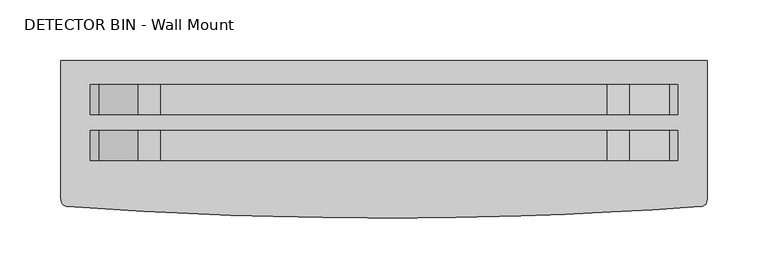
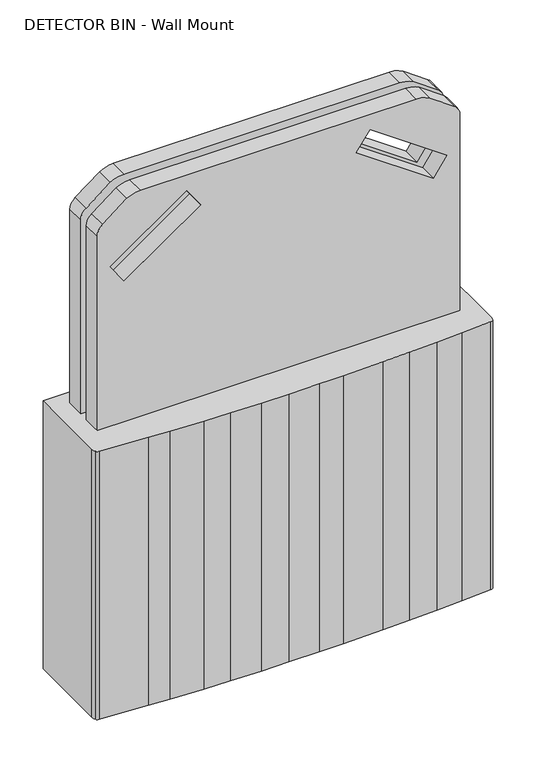
"""IFC4 building model written with IfcOpenShell, lengths in millimetres: proxy geometry, DETECTOR BIN - Wall Mount."""

import ifcopenshell
import ifcopenshell.guid

model = None  # the IFC model being written
_history = None  # IfcOwnerHistory: only IFC2X3 demands one
_inside = {}  # id of a spatial element -> (the spatial element, [elements in it])
_under = {}  # id of a project, library or spatial element -> (it, [spatial elements below it])
_declared = {}  # id of a project -> (the project, [libraries it declares])
_typed = {}  # id of a type object -> (the type object, [elements of that type])
_made_of = {}  # id of a material, layer set ... -> (it, [elements and type objects made of it])


def new_model(schema):
    """Start an empty IFC model of exactly this schema.

    Asked for "IFC4X3", IfcOpenShell would pick the latest addendum, in which some entities
    have other attributes; the version numbers below select the first issue.
    IFC2X3 requires an IfcOwnerHistory on every rooted entity: one is made here for all.
    """
    global model, _history
    if schema == "IFC4X3":
        model = ifcopenshell.file(schema_version=(4, 3, 0, 0))
    else:
        model = ifcopenshell.file(schema=schema)
    _inside.clear()
    _under.clear()
    _declared.clear()
    _typed.clear()
    _made_of.clear()
    _history = None
    if model.schema == "IFC2X3":
        org = make("IfcOrganization", Name="unknown")
        user = make(
            "IfcPersonAndOrganization",
            ThePerson=make("IfcPerson", FamilyName="unknown"),
            TheOrganization=org,
        )
        app = make(
            "IfcApplication",
            ApplicationDeveloper=org,
            Version="unknown",
            ApplicationFullName="unknown",
            ApplicationIdentifier="unknown",
        )
        _history = make(
            "IfcOwnerHistory",
            OwningUser=user,
            OwningApplication=app,
            ChangeAction="ADDED",
            CreationDate=0,
        )
    return model


def make(cls, **values):
    """One entity of the class cls with the attributes given. An attribute that is None is left unset."""
    return model.create_entity(
        cls, **{name: value for name, value in values.items() if value is not None}
    )


def rooted(cls, **values):
    """An entity with a GlobalId (a new one), such as an element, a storey or a relation."""
    return make(cls, GlobalId=ifcopenshell.guid.new(), OwnerHistory=_history, **values)


def si_unit(unit_type, name, prefix=None):
    """IfcSIUnit, for example si_unit("LENGTHUNIT", "METRE", prefix="MILLI")."""
    return make("IfcSIUnit", UnitType=unit_type, Prefix=prefix, Name=name)


def assignment(units):
    """IfcUnitAssignment: the units of a project."""
    return None if units is None else make("IfcUnitAssignment", Units=units)


def point(xyz):
    """IfcCartesianPoint."""
    return None if xyz is None else make("IfcCartesianPoint", Coordinates=xyz)


def direction(xyz):
    """IfcDirection."""
    return None if xyz is None else make("IfcDirection", DirectionRatios=xyz)


def frame(location, z_axis=None, x_axis=None):
    """IfcAxis2Placement3D, a coordinate frame: its origin and axes. An axis left out is left unset."""
    return make(
        "IfcAxis2Placement3D",
        Location=point(location),
        Axis=direction(z_axis),
        RefDirection=direction(x_axis),
    )


def frame_2d(location, x_axis=None):
    """IfcAxis2Placement2D, a coordinate frame in the plane: its origin and x axis."""
    return make(
        "IfcAxis2Placement2D", Location=point(location), RefDirection=direction(x_axis)
    )


def origin():
    """The frame at (0, 0, 0) with its axes left unset."""
    return frame((0.0, 0.0, 0.0))


def origin_with_axes():
    """The frame at (0, 0, 0) with the z axis (0, 0, 1) and the x axis (1, 0, 0) written out."""
    return frame((0.0, 0.0, 0.0), z_axis=(0.0, 0.0, 1.0), x_axis=(1.0, 0.0, 0.0))


def place(relative_to, where):
    """IfcLocalPlacement: puts the frame where relative to a parent placement (None: the world)."""
    return make(
        "IfcLocalPlacement", PlacementRelTo=relative_to, RelativePlacement=where
    )


def context(
    kind, dimensions, precision=None, world=None, true_north=None, identifier=None
):
    """IfcGeometricRepresentationContext, for example the 3D "Model" context."""
    return make(
        "IfcGeometricRepresentationContext",
        ContextIdentifier=identifier,
        ContextType=kind,
        CoordinateSpaceDimension=dimensions,
        Precision=precision,
        WorldCoordinateSystem=world,
        TrueNorth=true_north,
    )


def project(units=None, contexts=None):
    """IfcProject with its units and contexts."""
    return rooted(
        "IfcProject",
        Name="project",
        RepresentationContexts=contexts,
        UnitsInContext=assignment(units),
    )


def spatial(cls, under=None, at=None, **own):
    """A site, building, storey or space (cls), placed at a placement, below another one or the project."""
    s = rooted(cls, ObjectPlacement=at, **own)
    if under is not None:
        _under.setdefault(under.id(), (under, []))[1].append(s)
    return s


def polyline(points):
    """IfcPolyline through the points."""
    return make("IfcPolyline", Points=[point(p) for p in points])


def circle_curve(where, radius):
    """IfcCircle in the frame where."""
    return make("IfcCircle", Position=where, Radius=radius)


def trimmed(basis, trim1, trim2, sense, master):
    """IfcTrimmedCurve: the piece of a basis curve between two trims."""
    return make(
        "IfcTrimmedCurve",
        BasisCurve=basis,
        Trim1=trim1,
        Trim2=trim2,
        SenseAgreement=sense,
        MasterRepresentation=master,
    )


def segment(curve, same_sense, transition):
    """IfcCompositeCurveSegment."""
    return make(
        "IfcCompositeCurveSegment",
        Transition=transition,
        SameSense=same_sense,
        ParentCurve=curve,
    )


def composite_curve(segments, self_intersect=None):
    """IfcCompositeCurve: segments joined end to end."""
    return make("IfcCompositeCurve", Segments=segments, SelfIntersect=self_intersect)


def outline(outer, holes=None, kind="AREA"):
    """IfcArbitraryClosedProfileDef: a profile drawn as a closed curve; with holes, ...WithVoids."""
    if holes is None:
        return make("IfcArbitraryClosedProfileDef", ProfileType=kind, OuterCurve=outer)
    return make(
        "IfcArbitraryProfileDefWithVoids",
        ProfileType=kind,
        OuterCurve=outer,
        InnerCurves=holes,
    )


def extrude(swept, where, along, depth):
    """IfcExtrudedAreaSolid: the profile swept, set in the frame where, extruded along a direction by depth."""
    return make(
        "IfcExtrudedAreaSolid",
        SweptArea=swept,
        Position=where,
        ExtrudedDirection=direction(along),
        Depth=depth,
    )


def shape(context_of_items, identifier, shape_type, items):
    """IfcShapeRepresentation: the items that make up one representation, for example the "Body"."""
    return make(
        "IfcShapeRepresentation",
        ContextOfItems=context_of_items,
        RepresentationIdentifier=identifier,
        RepresentationType=shape_type,
        Items=items,
    )


def source(mapping_origin, context_of_items, identifier, shape_type, items):
    """IfcRepresentationMap: a shape defined once, which mapped items show again and again."""
    return make(
        "IfcRepresentationMap",
        MappingOrigin=mapping_origin,
        MappedRepresentation=shape(context_of_items, identifier, shape_type, items),
    )


def transform(
    local_origin,
    x_axis=None,
    y_axis=None,
    z_axis=None,
    scale=None,
    scale2=None,
    scale3=None,
    uniform=True,
):
    """IfcCartesianTransformationOperator3D, or its non-uniform kind. x_axis, y_axis, z_axis: its Axis1, 2, 3."""
    if uniform:
        return make(
            "IfcCartesianTransformationOperator3D",
            Axis1=direction(x_axis),
            Axis2=direction(y_axis),
            LocalOrigin=point(local_origin),
            Scale=scale,
            Axis3=direction(z_axis),
        )
    return make(
        "IfcCartesianTransformationOperator3DnonUniform",
        Axis1=direction(x_axis),
        Axis2=direction(y_axis),
        LocalOrigin=point(local_origin),
        Scale=scale,
        Axis3=direction(z_axis),
        Scale2=scale2,
        Scale3=scale3,
    )


def mapped(mapping_source, mapping_target):
    """IfcMappedItem: shows the shape of a source again, moved by a transform."""
    return make(
        "IfcMappedItem", MappingSource=mapping_source, MappingTarget=mapping_target
    )


def made_of(thing, what):
    """Note that an element or type object is made of a material, layer set ...; save() writes the relation."""
    if what is not None:
        _made_of.setdefault(what.id(), (what, []))[1].append(thing)
    return thing


def element(
    cls,
    number,
    at=None,
    inside=None,
    cuts=None,
    type_object=None,
    material=None,
    context=None,
    identifier="Body",
    shape_type=None,
    held_by="IfcProductDefinitionShape",
    body=None,
    shapes=None,
    **own,
):
    """One element of the class cls, such as IfcWall. Its Tag is "e" and its number.

    at: its placement. inside: the storey or other place that contains it. cuts: it is an
    opening in that element (IfcRelVoidsElement). A single representation is given by context,
    identifier, shape_type and body (its items); several are given by shapes. held_by: the class
    of the entity that holds the representations. save() writes the other relations.
    """
    e = rooted(cls, Tag="e%d" % number, ObjectPlacement=at, **own)
    if body is not None:
        shapes = [shape(context, identifier, shape_type, body)]
    if shapes is not None:
        e.Representation = make(held_by, Representations=shapes)
    if inside is not None:
        _inside.setdefault(inside.id(), (inside, []))[1].append(e)
    if cuts is not None:
        rooted(
            "IfcRelVoidsElement", RelatingBuildingElement=cuts, RelatedOpeningElement=e
        )
    if type_object is not None:
        _typed.setdefault(type_object.id(), (type_object, []))[1].append(e)
    return made_of(e, material)


def aggregate(whole, parts):
    """IfcRelAggregates: a whole, such as a stair, and the parts it consists of."""
    return rooted("IfcRelAggregates", RelatingObject=whole, RelatedObjects=parts)


def save(model, path):
    """Write the relations noted so far, then the file.

    IfcRelAggregates (storeys below a building ...), IfcRelContainedInSpatialStructure (elements
    in a storey), IfcRelDefinesByType, IfcRelAssociatesMaterial and IfcRelDeclares: one each for
    every whole, place, type object, material and project.
    """
    for whole, parts in _under.values():
        aggregate(whole, parts)
    for where, things in _inside.values():
        rooted(
            "IfcRelContainedInSpatialStructure",
            RelatedElements=things,
            RelatingStructure=where,
        )
    for kind, things in _typed.values():
        rooted("IfcRelDefinesByType", RelatedObjects=things, RelatingType=kind)
    for what, things in _made_of.values():
        rooted("IfcRelAssociatesMaterial", RelatedObjects=things, RelatingMaterial=what)
    for by, libraries in _declared.values():
        rooted("IfcRelDeclares", RelatingContext=by, RelatedDefinitions=libraries)
    model.write(path)


def detector_bin_wall_mount_159995c8(model_context):
    return source(origin(), model_context, "Body", "SweptSolid", [
        extrude(outline(composite_curve([segment(trimmed(circle_curve(frame_2d((656.107021, -536.659329)), 15.0253801), [point((656.107021, -521.633949))], [point((668.3364746, -527.929924))], False, "CARTESIAN"), True, "CONTINUOUS"), segment(polyline([(668.3364746, -527.929924), (692.0454972, -561.145062)]), True, "CONTINUOUS"), segment(trimmed(circle_curve(frame_2d((660.174226, -579.545949)), 36.801774), [point((692.0454972, -561.145062))], [point((696.976, -579.545949))], False, "CARTESIAN"), True, "CONTINUOUS"), segment(polyline([(696.976, -579.545949), (696.976, -947.9654858)]), True, "CONTINUOUS"), segment(trimmed(circle_curve(frame_2d((660.174226, -947.9654858)), 36.801774), [point((696.976, -947.9654858))], [point((692.0454972, -966.3663728))], False, "CARTESIAN"), True, "CONTINUOUS"), segment(polyline([(692.0454972, -966.3663728), (666.7713672, -998.7298926)]), True, "CONTINUOUS"), segment(trimmed(circle_curve(frame_2d((652.8047514, -989.1009746)), 16.9641509), [point((666.7713672, -998.7298926))], [point((652.8047514, -1006.0651256))], False, "CARTESIAN"), True, "CONTINUOUS"), segment(polyline([(652.8047514, -1006.0651256), (0.0, -1006.0651256), (0.0, -521.633949), (656.107021, -521.633949)]), True, "CONTINUOUS")], self_intersect=False), holes=[polyline([(675.0067867, -641.3713193), (603.1660517, -538.7721168), (577.1579743, -556.9831686), (648.9987093, -659.5823711), (675.0067867, -641.3713193)]), polyline([(577.1579743, -970.5282662), (603.1660517, -988.739318), (675.0067867, -886.1401155), (648.9987093, -867.9290637), (577.1579743, -970.5282662)])]), frame((0.0, -1.4070561, 0.0), z_axis=(0.0, 1.0, 0.0), x_axis=(0.0, 0.0, 1.0)), (0.0, 0.0, 1.0), 24.7176759),
        extrude(outline(composite_curve([segment(trimmed(circle_curve(frame_2d((-1017.0988313, -30.9877654)), 13.3249092), [point((-1028.8756295, -37.2215627))], [point((-1030.3802039, -29.9115006))], False, "CARTESIAN"), True, "CONTINUOUS"), segment(polyline([(-1030.3802039, -29.9115006), (-1030.3802039, 81.1429439), (-497.0850718, 81.1429439), (-497.0850718, -29.9115006)]), True, "CONTINUOUS"), segment(trimmed(circle_curve(frame_2d((-510.5000973, -31.1165479)), 13.4690404), [point((-497.0850718, -29.9115006))], [point((-498.6176962, -37.4587551))], False, "CARTESIAN"), True, "CONTINUOUS"), segment(trimmed(circle_curve(frame_2d((-502.8589268, -33.4209889)), 5.8559024), [point((-498.6176962, -37.4587551))], [point((-502.4624449, -39.2634538))], False, "CARTESIAN"), True, "CONTINUOUS"), segment(polyline([(-502.4624449, -39.2634538), (-542.5691647, -41.9851802), (-576.8104729, -43.9394304), (-614.5145056, -45.8507364), (-650.9106454, -47.03741), (-704.5895695, -48.4495705), (-736.5000673, -48.8492058), (-777.3107548, -48.7472622), (-814.1587503, -48.4682073), (-855.0834475, -47.7111291), (-889.9503622, -46.8020358), (-933.7904066, -44.7025877), (-961.8634287, -43.321165), (-1024.7479901, -39.2821577)]), True, "CONTINUOUS"), segment(trimmed(circle_curve(frame_2d((-1024.6238143, -33.8690209)), 5.4145609), [point((-1024.7479901, -39.2821577))], [point((-1028.8756295, -37.2215627))], False, "CARTESIAN"), True, "CONTINUOUS")], self_intersect=False)), origin_with_axes(), (0.0, 0.0, 1.0), 378.46),
        extrude(outline(composite_curve([segment(trimmed(circle_curve(frame_2d((656.107021, -536.659329)), 15.0253801), [point((656.107021, -521.633949))], [point((668.3364746, -527.929924))], False, "CARTESIAN"), True, "CONTINUOUS"), segment(polyline([(668.3364746, -527.929924), (692.0454972, -561.145062)]), True, "CONTINUOUS"), segment(trimmed(circle_curve(frame_2d((660.174226, -579.545949)), 36.801774), [point((692.0454972, -561.145062))], [point((696.976, -579.545949))], False, "CARTESIAN"), True, "CONTINUOUS"), segment(polyline([(696.976, -579.545949), (696.976, -947.9654858)]), True, "CONTINUOUS"), segment(trimmed(circle_curve(frame_2d((660.174226, -947.9654858)), 36.801774), [point((696.976, -947.9654858))], [point((692.0454972, -966.3663728))], False, "CARTESIAN"), True, "CONTINUOUS"), segment(polyline([(692.0454972, -966.3663728), (666.7713672, -998.7298926)]), True, "CONTINUOUS"), segment(trimmed(circle_curve(frame_2d((652.8047514, -989.1009746)), 16.9641509), [point((666.7713672, -998.7298926))], [point((652.8047514, -1006.0651256))], False, "CARTESIAN"), True, "CONTINUOUS"), segment(polyline([(652.8047514, -1006.0651256), (0.0, -1006.0651256), (0.0, -521.633949), (656.107021, -521.633949)]), True, "CONTINUOUS")], self_intersect=False), holes=[polyline([(675.0067867, -641.3713193), (603.1660517, -538.7721168), (577.1579743, -556.9831686), (648.9987093, -659.5823711), (675.0067867, -641.3713193)]), polyline([(577.1579743, -970.5282662), (603.1660517, -988.739318), (675.0067867, -886.1401155), (648.9987093, -867.9290637), (577.1579743, -970.5282662)])]), frame((0.0, 36.6929439, 0.0), z_axis=(0.0, 1.0, 0.0), x_axis=(0.0, 0.0, 1.0)), (0.0, 0.0, 1.0), 24.7176759),
    ])


if __name__ == "__main__":
    model = new_model("IFC4")
    model_context = context("Model", 3, world=origin())
    ifc_project = project(units=[si_unit("LENGTHUNIT", "METRE", prefix="MILLI")], contexts=[model_context])
    site = spatial("IfcSite", under=ifc_project)
    building = spatial("IfcBuilding", under=site)
    placement = place(None, origin())
    detector_bin_wall_mount_shape = detector_bin_wall_mount_159995c8(model_context)
    element("IfcBuildingElementProxy", 1, Name="DETECTOR BIN - Wall Mount", ObjectType="DETECTOR BIN - Wall Mount", at=placement, inside=building, context=model_context, shape_type="MappedRepresentation", body=[
        mapped(detector_bin_wall_mount_shape, transform((0.0, 0.0, 0.0), x_axis=(1.0, 0.0, 0.0), y_axis=(0.0, 1.0, 0.0), z_axis=(0.0, 0.0, 1.0))),
    ])
    save(model, "model.ifc")
